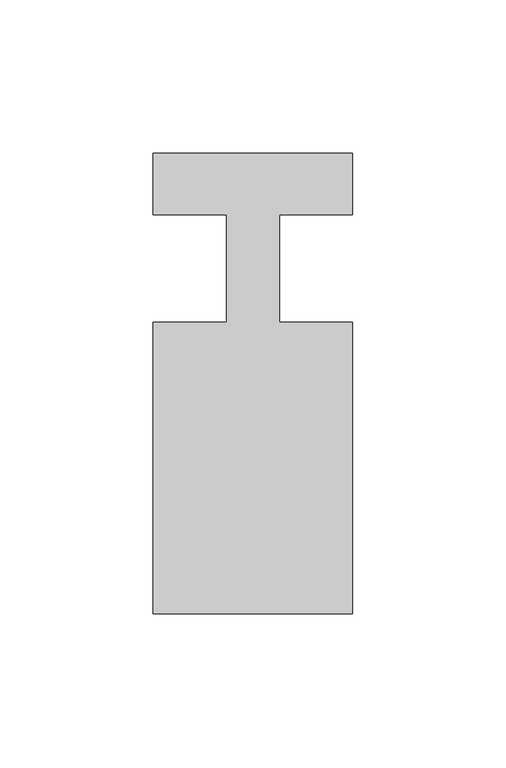
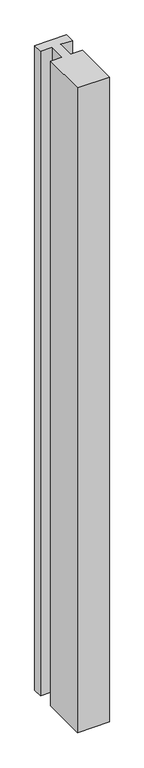
"""IFC4 building model written with IfcOpenShell, lengths in millimetres: member geometry."""

from ifc_helpers import new_model, si_unit, frame, origin, place, context, project, spatial, polyline, outline, extrude, source, transform, mapped, element, save


def member_3ff16eeb(model_context):
    return source(origin(), model_context, "Body", "SweptSolid", [
        extrude(outline(polyline([(-65.0, 37.0), (0.0, 37.0), (0.0, 17.0), (-23.8125, 17.0), (-23.8125, -18.0), (0.0, -18.0), (0.0, -113.0), (-65.0, -113.0), (-65.0, -18.0), (-41.1875, -18.0), (-41.1875, 17.0), (-65.0, 17.0), (-65.0, 37.0)])), frame((0.0, 0.0, -1384.7115882), z_axis=(0.0, 0.0, 1.0), x_axis=(1.0, 0.0, 0.0)), (0.0, 0.0, 1.0), 1384.7115882),
    ])


if __name__ == "__main__":
    model = new_model("IFC4")
    model_context = context("Model", 3, world=origin())
    ifc_project = project(units=[si_unit("LENGTHUNIT", "METRE", prefix="MILLI")], contexts=[model_context])
    site = spatial("IfcSite", under=ifc_project)
    building = spatial("IfcBuilding", under=site)
    placement = place(None, origin())
    member_shape = member_3ff16eeb(model_context)
    element("IfcMember", 1, at=placement, inside=building, context=model_context, shape_type="MappedRepresentation", body=[
        mapped(member_shape, transform((0.0, 0.0, 0.0), x_axis=(1.0, 0.0, 0.0), y_axis=(0.0, 1.0, 0.0), z_axis=(0.0, 0.0, 1.0))),
    ])
    save(model, "model.ifc")
